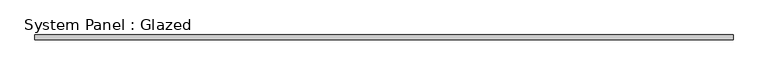
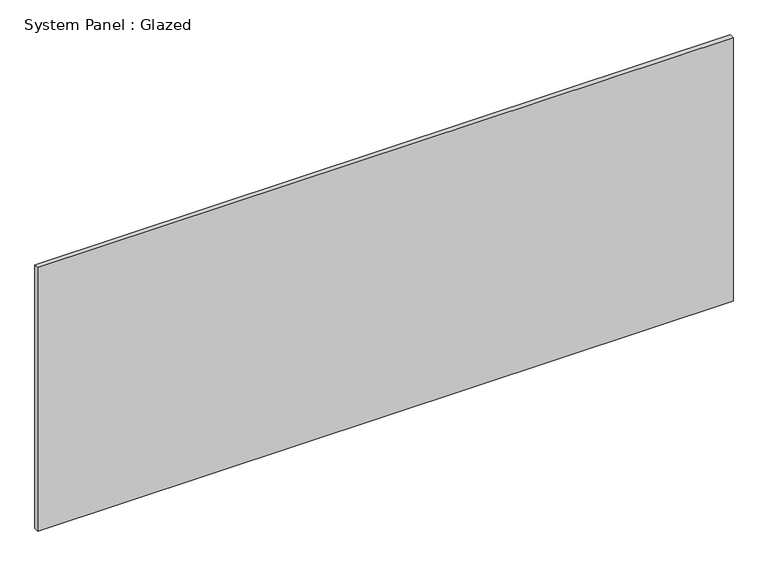
"""IFC4 building model written with IfcOpenShell, lengths in millimetres: plate geometry, System Panel : Glazed."""

from ifc_helpers import new_model, si_unit, origin, origin_with_axes, place, context, project, spatial, polyline, outline, extrude, source, transform, mapped, element, save


def system_panel_glazed_ea8cf1a5(model_context):
    return source(origin(), model_context, "Body", "SweptSolid", [
        extrude(outline(polyline([(1822.6161577, 19.05), (-1822.6161577, 19.05), (-1822.6161577, 44.45), (1822.6161577, 44.45), (1822.6161577, 19.05)])), origin_with_axes(), (0.0, 0.0, 1.0), 1460.5),
    ])


if __name__ == "__main__":
    model = new_model("IFC4")
    model_context = context("Model", 3, world=origin())
    ifc_project = project(units=[si_unit("LENGTHUNIT", "METRE", prefix="MILLI")], contexts=[model_context])
    site = spatial("IfcSite", under=ifc_project)
    building = spatial("IfcBuilding", under=site)
    placement = place(None, origin())
    system_panel_glazed_shape = system_panel_glazed_ea8cf1a5(model_context)
    element("IfcPlate", 1, ObjectType="System Panel : Glazed", at=placement, inside=building, context=model_context, shape_type="MappedRepresentation", body=[
        mapped(system_panel_glazed_shape, transform((0.0, 0.0, 0.0), x_axis=(1.0, 0.0, 0.0), y_axis=(0.0, 1.0, 0.0), z_axis=(0.0, 0.0, 1.0))),
    ])
    save(model, "model.ifc")
